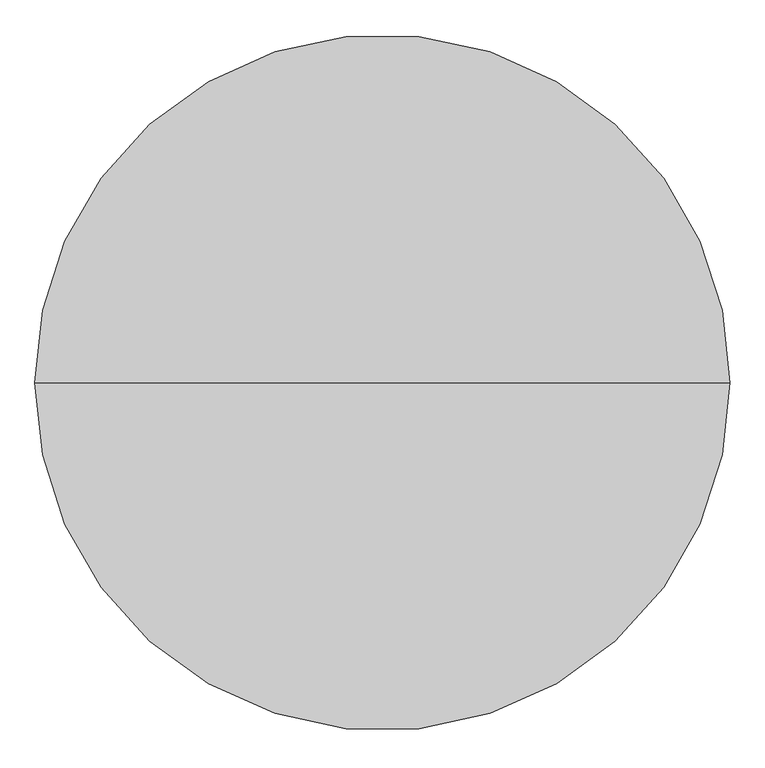
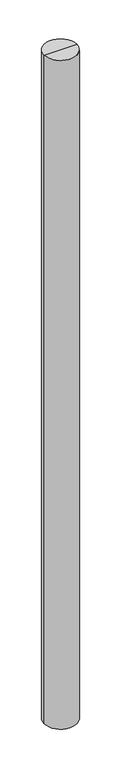
"""IFC4 building model written with IfcOpenShell, lengths in millimetres: column geometry."""

from ifc_helpers import new_model, si_unit, frame, origin, place, context, project, spatial, circle_curve, source, transform, mapped, element, save
from ifc_brep_helpers import plane_surface, cylinder_surface, advanced_brep


def column_d896ff00(model_context):
    return source(origin(), model_context, "Body", "AdvancedBrep", [
        advanced_brep(
        [(-500.0, 0.0, -2150.5680975), (500.0, 0.0, -2150.5680975), (500.0, 0.0, -23760.0), (-500.0, 0.0, -23760.0), (0.0, 0.0, -23760.0), (0.0, 0.0, -2150.5680975)],
        [
            (0, 1, circle_curve(frame((0.0, 0.0, -2150.5680975), z_axis=(0.0, 0.0, -1.0), x_axis=(1.0, 0.0, 0.0)), 500.0)),
            (1, 2),
            (2, 3, circle_curve(frame((0.0, 0.0, -23760.0), z_axis=(0.0, 0.0, 1.0), x_axis=(1.0, 0.0, 0.0)), 500.0)),
            (3, 0),
            (2, 4),
            (4, 3),
            (2, 3, circle_curve(frame((0.0, 0.0, -23760.0), z_axis=(0.0, 0.0, -1.0), x_axis=(1.0, 0.0, 0.0)), 500.0)),
            (1, 0, circle_curve(frame((0.0, 0.0, -2150.5680975), z_axis=(0.0, 0.0, -1.0), x_axis=(1.0, 0.0, 0.0)), 500.0)),
            (5, 1),
            (0, 5),
        ],
        [
            cylinder_surface(frame((0.0, 0.0, -1947.5115888), z_axis=(0.0, 0.0, 1.0), x_axis=(1.0, 0.0, 0.0)), 500.0),
            plane_surface(frame((0.0, 0.0, -23760.0), z_axis=(0.0, 0.0, -1.0), x_axis=(1.0, 0.0, 0.0))),
            plane_surface(frame((0.0, 0.0, -2150.5680975), z_axis=(0.0, 0.0, 1.0), x_axis=(1.0, 0.0, 0.0))),
        ],
        [
            (0, [[1, 2, 3, 4]]),
            (1, [[-3, 5, 6]]),
            (1, [[7, -6, -5]]),
            (0, [[8, -4, -7, -2]]),
            (2, [[9, -1, 10]]),
            (2, [[-10, -8, -9]]),
        ],
    ),
    ])


if __name__ == "__main__":
    model = new_model("IFC4")
    model_context = context("Model", 3, world=origin())
    ifc_project = project(units=[si_unit("LENGTHUNIT", "METRE", prefix="MILLI")], contexts=[model_context])
    site = spatial("IfcSite", under=ifc_project)
    building = spatial("IfcBuilding", under=site)
    placement = place(None, origin())
    column_shape = column_d896ff00(model_context)
    element("IfcColumn", 1, at=placement, inside=building, context=model_context, shape_type="MappedRepresentation", body=[
        mapped(column_shape, transform((0.0, 0.0, 0.0), x_axis=(1.0, 0.0, 0.0), y_axis=(0.0, 1.0, 0.0), z_axis=(0.0, 0.0, 1.0))),
    ])
    save(model, "model.ifc")
